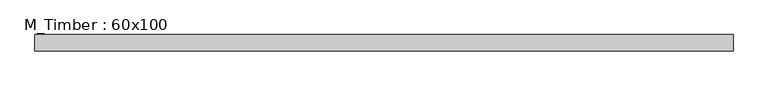
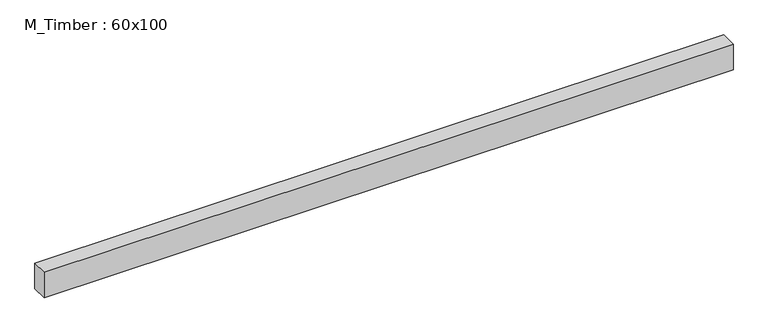
"""IFC4 building model written with IfcOpenShell, lengths in millimetres: beam geometry, M_Timber : 60x100."""

from ifc_helpers import new_model, si_unit, frame, origin, place, context, project, spatial, polyline, outline, extrude, source, transform, mapped, element, save


def m_timber_60x100_2344541b(model_context):
    return source(origin(), model_context, "Body", "SweptSolid", [
        extrude(outline(polyline([(1274.3475369, 30.0), (1274.3475369, -30.0), (-1268.6442544, -30.0), (-1268.6442544, 30.0), (1274.3475369, 30.0)])), frame((0.0, 0.0, -50.0), z_axis=(0.0, 0.0, 1.0), x_axis=(1.0, 0.0, 0.0)), (0.0, 0.0, 1.0), 100.0),
    ])


if __name__ == "__main__":
    model = new_model("IFC4")
    model_context = context("Model", 3, world=origin())
    ifc_project = project(units=[si_unit("LENGTHUNIT", "METRE", prefix="MILLI")], contexts=[model_context])
    site = spatial("IfcSite", under=ifc_project)
    building = spatial("IfcBuilding", under=site)
    placement = place(None, origin())
    m_timber_60x100_shape = m_timber_60x100_2344541b(model_context)
    element("IfcBeam", 1, ObjectType="M_Timber : 60x100", at=placement, inside=building, context=model_context, shape_type="MappedRepresentation", body=[
        mapped(m_timber_60x100_shape, transform((0.0, 0.0, 0.0), x_axis=(1.0, 0.0, 0.0), y_axis=(0.0, 1.0, 0.0), z_axis=(0.0, 0.0, 1.0))),
    ])
    save(model, "model.ifc")
